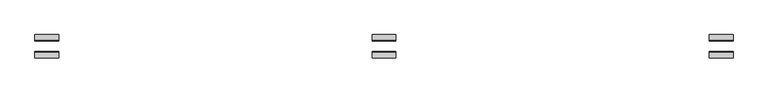
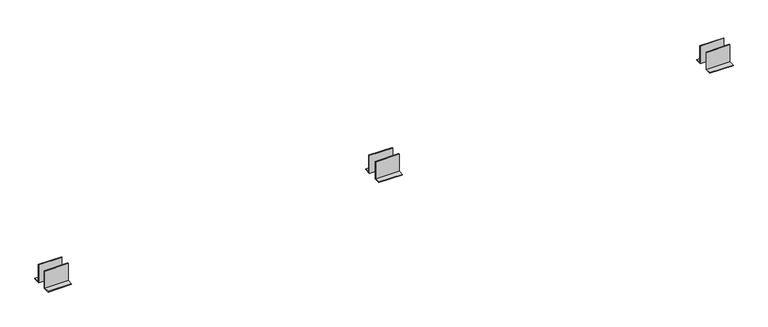
"""IFC4 building model written with IfcOpenShell, lengths in millimetres: proxy geometry."""

from ifc_helpers import new_model, si_unit, frame, origin, place, context, project, spatial, polyline, outline, extrude, source, transform, mapped, element, save


def generic_models_9c4c48b0(model_context):
    return source(origin(), model_context, "Body", "SweptSolid", [
        extrude(outline(polyline([(33.0, 0.0), (33.0, 120.0), (37.0, 120.0), (37.0, 4.0), (73.0, 4.0), (73.0, 0.0), (33.0, 0.0)])), frame((2184.3981518, 0.0, 0.0), z_axis=(1.0, 0.0, 0.0), x_axis=(0.0, 1.0, 0.0)), (0.0, 0.0, 1.0), 150.0),
        extrude(outline(polyline([(-33.0, 120.0), (-33.0, 0.0), (-73.0, 0.0), (-73.0, 4.0), (-37.0, 4.0), (-37.0, 120.0), (-33.0, 120.0)])), frame((2184.3981518, 0.0, 0.0), z_axis=(1.0, 0.0, 0.0), x_axis=(0.0, 1.0, 0.0)), (0.0, 0.0, 1.0), 150.0),
        extrude(outline(polyline([(33.0, 0.0), (33.0, 120.0), (37.0, 120.0), (37.0, 4.0), (73.0, 4.0), (73.0, 0.0), (33.0, 0.0)])), frame((4303.7963036, 0.0, 0.0), z_axis=(1.0, 0.0, 0.0), x_axis=(0.0, 1.0, 0.0)), (0.0, 0.0, 1.0), 150.0),
        extrude(outline(polyline([(-33.0, 120.0), (-33.0, 0.0), (-73.0, 0.0), (-73.0, 4.0), (-37.0, 4.0), (-37.0, 120.0), (-33.0, 120.0)])), frame((4303.7963036, 0.0, 0.0), z_axis=(1.0, 0.0, 0.0), x_axis=(0.0, 1.0, 0.0)), (0.0, 0.0, 1.0), 150.0),
        extrude(outline(polyline([(33.0, 0.0), (33.0, 120.0), (37.0, 120.0), (37.0, 4.0), (73.0, 4.0), (73.0, 0.0), (33.0, 0.0)])), frame((65.0, 0.0, 0.0), z_axis=(1.0, 0.0, 0.0), x_axis=(0.0, 1.0, 0.0)), (0.0, 0.0, 1.0), 150.0),
        extrude(outline(polyline([(-33.0, 120.0), (-33.0, 0.0), (-73.0, 0.0), (-73.0, 4.0), (-37.0, 4.0), (-37.0, 120.0), (-33.0, 120.0)])), frame((65.0, 0.0, 0.0), z_axis=(1.0, 0.0, 0.0), x_axis=(0.0, 1.0, 0.0)), (0.0, 0.0, 1.0), 150.0),
    ])


if __name__ == "__main__":
    model = new_model("IFC4")
    model_context = context("Model", 3, world=origin())
    ifc_project = project(units=[si_unit("LENGTHUNIT", "METRE", prefix="MILLI")], contexts=[model_context])
    site = spatial("IfcSite", under=ifc_project)
    building = spatial("IfcBuilding", under=site)
    placement = place(None, origin())
    generic_models_shape = generic_models_9c4c48b0(model_context)
    element("IfcBuildingElementProxy", 1, Name="Generic Models", at=placement, inside=building, context=model_context, shape_type="MappedRepresentation", body=[
        mapped(generic_models_shape, transform((0.0, 0.0, 0.0), x_axis=(1.0, 0.0, 0.0), y_axis=(0.0, 1.0, 0.0), z_axis=(0.0, 0.0, 1.0))),
    ])
    save(model, "model.ifc")
